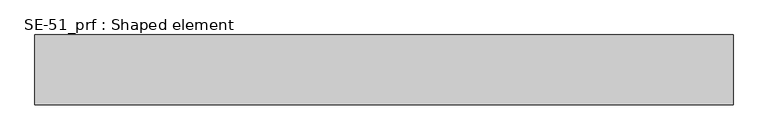
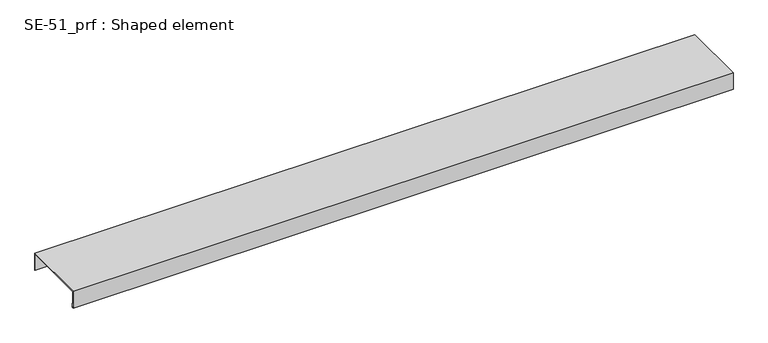
"""IFC4 building model written with IfcOpenShell, lengths in millimetres: proxy geometry, SE-51_prf : Shaped element."""

from ifc_helpers import new_model, si_unit, origin, place, context, project, spatial, faceted_brep, source, transform, mapped, element, save


def se_51_prf_shaped_element_431d713f(model_context):
    return source(origin(), model_context, "Body", "Brep", [
        faceted_brep([(0.0, 145.0, 2.0), (0.0, -5.0, 2.0), (1500.0, -5.0, 2.0), (1500.0, 145.0, 2.0), (0.0, 144.0, 1.0), (0.0, 144.0, 0.0), (0.0, 144.0, -38.0), (1500.0, 144.0, -38.0), (1500.0, 144.0, 0.0), (1500.0, 144.0, 1.0), (0.0, 145.0, 0.0), (1500.0, 145.0, 0.0), (1500.0, 145.0, -38.0), (0.0, 145.0, -38.0), (0.0, -4.0, 1.0), (1500.0, -4.0, 1.0), (0.0, -4.0, 0.0), (1500.0, -4.0, 0.0), (1500.0, -4.0, -37.0), (0.0, -4.0, -37.0), (0.0, -3.0, -37.0), (1500.0, -3.0, -37.0), (0.0, -3.0, -28.0), (1500.0, -3.0, -28.0), (0.0, -2.0, -28.0), (1500.0, -2.0, -28.0), (0.0, -2.0, -38.0), (1500.0, -2.0, -38.0), (0.0, -5.0, -38.0), (1500.0, -5.0, -38.0), (0.0, -5.0, 0.0), (1500.0, -5.0, 0.0)], [[[0, 1, 2, 3]], [[4, 5, 6, 7, 8, 9]], [[10, 0, 3, 11, 12, 13]], [[14, 4, 9, 15]], [[16, 14, 15, 17, 18, 19]], [[20, 19, 18, 21]], [[22, 20, 21, 23]], [[24, 22, 23, 25]], [[26, 24, 25, 27]], [[28, 26, 27, 29]], [[1, 30, 28, 29, 31, 2]], [[10, 5, 4, 14, 16, 30, 1, 0]], [[5, 10, 13, 6]], [[30, 16, 19, 20, 22, 24, 26, 28]], [[8, 11, 3, 2, 31, 17, 15, 9]], [[11, 8, 7, 12]], [[17, 31, 29, 27, 25, 23, 21, 18]], [[6, 13, 12, 7]]]),
    ])


if __name__ == "__main__":
    model = new_model("IFC4")
    model_context = context("Model", 3, world=origin())
    ifc_project = project(units=[si_unit("LENGTHUNIT", "METRE", prefix="MILLI")], contexts=[model_context])
    site = spatial("IfcSite", under=ifc_project)
    building = spatial("IfcBuilding", under=site)
    placement = place(None, origin())
    se_51_prf_shaped_element_shape = se_51_prf_shaped_element_431d713f(model_context)
    element("IfcBuildingElementProxy", 1, Name="SE-51_prf : Shaped element", ObjectType="SE-51_prf : Shaped element", at=placement, inside=building, context=model_context, shape_type="MappedRepresentation", body=[
        mapped(se_51_prf_shaped_element_shape, transform((0.0, 0.0, 0.0), x_axis=(1.0, 0.0, 0.0), y_axis=(0.0, 1.0, 0.0), z_axis=(0.0, 0.0, 1.0))),
    ])
    save(model, "model.ifc")
